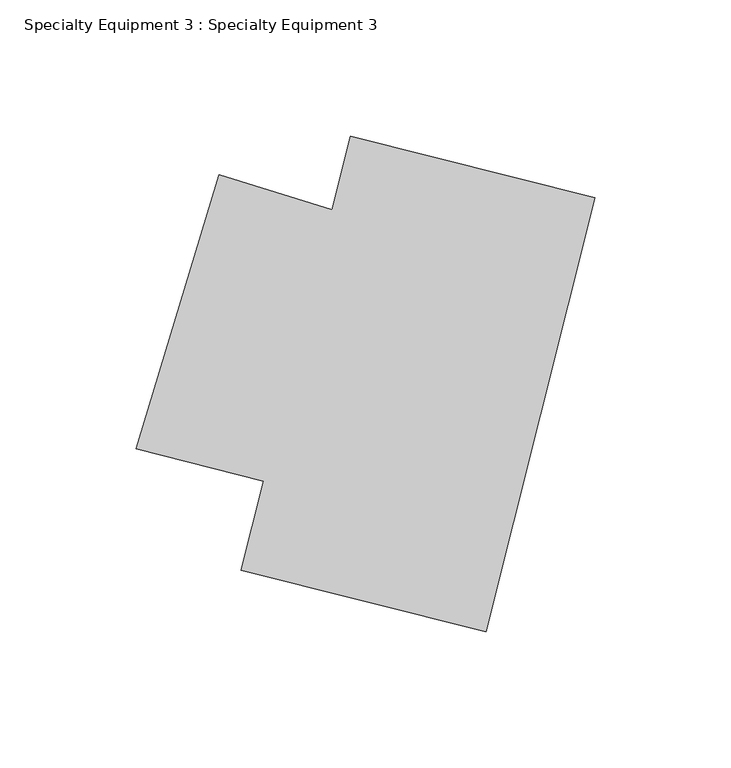
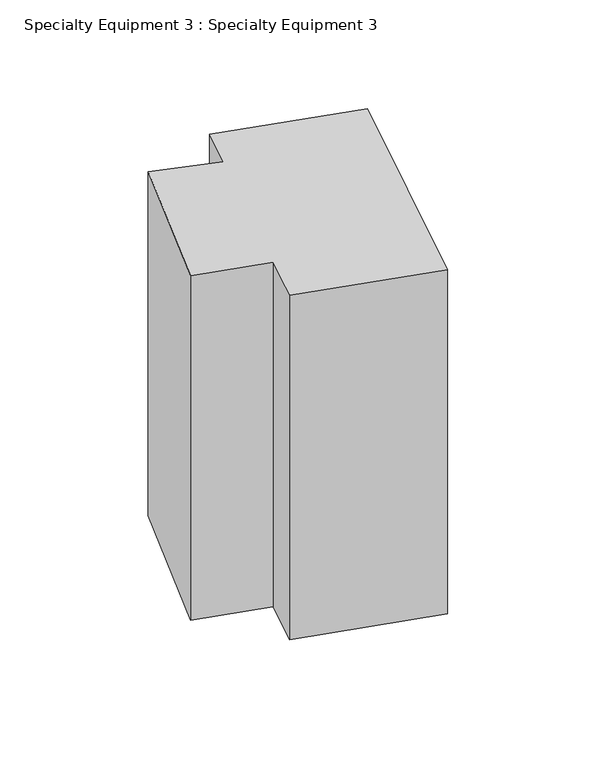
"""IFC4 building model written with IfcOpenShell, lengths in millimetres: proxy geometry, Specialty Equipment 3 : Specialty Equipment 3."""

from ifc_helpers import new_model, si_unit, frame, origin, place, context, project, spatial, polyline, outline, extrude, source, transform, mapped, element, save


def specialty_equipment_3_specialty_equipment_3_28831795(model_context):
    return source(origin(), model_context, "Body", "SweptSolid", [
        extrude(outline(polyline([(-45984.5656992, 61659.9423509), (-46074.4761126, 61682.5749723), (-46066.2569115, 61715.2265928), (-46113.1782345, 61727.2405639), (-46082.6500417, 61827.8705327), (-46041.1533839, 61814.9529355), (-46034.3170101, 61842.1111326), (-45944.4065967, 61819.4785113), (-45984.5656992, 61659.9423509)])), frame((0.0, 0.0, 115167.1222149), z_axis=(0.0, 0.0, 1.0), x_axis=(1.0, 0.0, 0.0)), (0.0, 0.0, 1.0), 237.0929928),
    ])


if __name__ == "__main__":
    model = new_model("IFC4")
    model_context = context("Model", 3, world=origin())
    ifc_project = project(units=[si_unit("LENGTHUNIT", "METRE", prefix="MILLI")], contexts=[model_context])
    site = spatial("IfcSite", under=ifc_project)
    building = spatial("IfcBuilding", under=site)
    placement = place(None, origin())
    specialty_equipment_3_specialty_equipment_3_shape = specialty_equipment_3_specialty_equipment_3_28831795(model_context)
    element("IfcBuildingElementProxy", 1, Name="Specialty Equipment 3 : Specialty Equipment 3", ObjectType="Specialty Equipment 3 : Specialty Equipment 3", at=placement, inside=building, context=model_context, shape_type="MappedRepresentation", body=[
        mapped(specialty_equipment_3_specialty_equipment_3_shape, transform((0.0, 0.0, 0.0), x_axis=(1.0, 0.0, 0.0), y_axis=(0.0, 1.0, 0.0), z_axis=(0.0, 0.0, 1.0))),
    ])
    save(model, "model.ifc")
